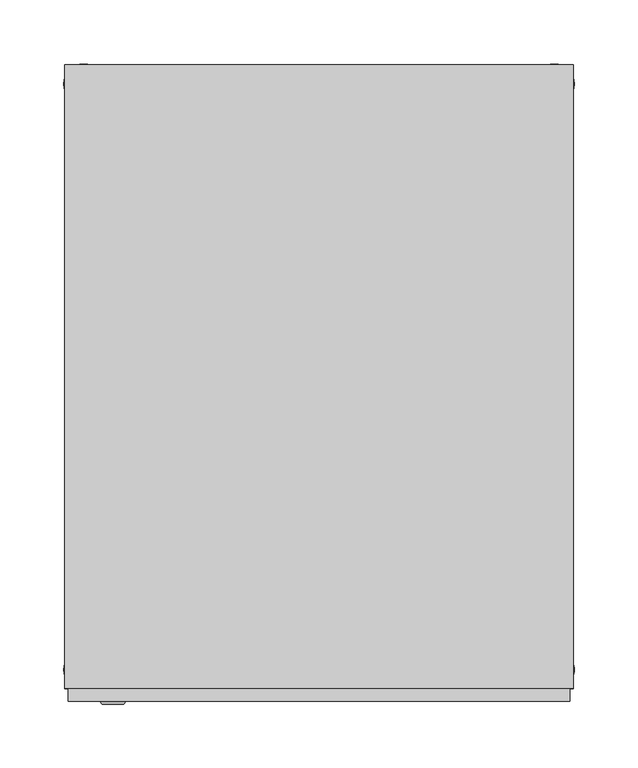
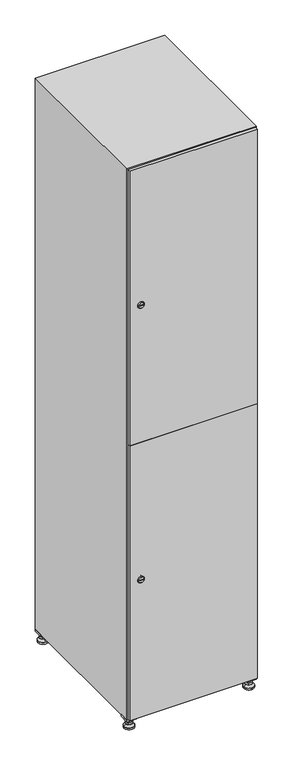
"""IFC4 building model written with IfcOpenShell, lengths in millimetres: furniture geometry."""

from ifc_helpers import new_model, si_unit, point, frame, frame_2d, origin, origin_with_axes, place, context, project, spatial, polyline, circle_curve, trimmed, segment, composite_curve, outline, extrude, faceted_brep, source, transform, mapped, element, save
from ifc_brep_helpers import plane_surface, revolved_surface, advanced_brep


def furniture_5dff099e(model_context):
    return source(origin(), model_context, "Body", "SolidModel", [
        extrude(outline(polyline([(200.0, 245.0), (200.0, 215.0), (170.0, 215.0), (170.0, 245.0), (200.0, 245.0)]), holes=[polyline([(198.0, 243.0), (172.0, 243.0), (172.0, 217.0), (198.0, 217.0), (198.0, 243.0)])]), frame((0.0, 0.0, 28.5), z_axis=(0.0, 0.0, 1.0), x_axis=(1.0, 0.0, 0.0)), (0.0, 0.0, 1.0), 6.5),
        extrude(outline(polyline([(170.0, -245.0), (170.0, -215.0), (200.0, -215.0), (200.0, -245.0), (170.0, -245.0)]), holes=[polyline([(172.0, -243.0), (198.0, -243.0), (198.0, -217.0), (172.0, -217.0), (172.0, -243.0)])]), frame((0.0, 0.0, 28.5), z_axis=(0.0, 0.0, 1.0), x_axis=(1.0, 0.0, 0.0)), (0.0, 0.0, 1.0), 6.5),
        extrude(outline(polyline([(-170.0, 245.0), (-170.0, 215.0), (-200.0, 215.0), (-200.0, 245.0), (-170.0, 245.0)]), holes=[polyline([(-172.0, 243.0), (-198.0, 243.0), (-198.0, 217.0), (-172.0, 217.0), (-172.0, 243.0)])]), frame((0.0, 0.0, 28.5), z_axis=(0.0, 0.0, 1.0), x_axis=(1.0, 0.0, 0.0)), (0.0, 0.0, 1.0), 6.5),
        extrude(outline(polyline([(-170.0, -215.0), (-170.0, -245.0), (-200.0, -245.0), (-200.0, -215.0), (-170.0, -215.0)]), holes=[polyline([(-198.0, -243.0), (-172.0, -243.0), (-172.0, -217.0), (-198.0, -217.0), (-198.0, -243.0)])]), frame((0.0, 0.0, 28.5), z_axis=(0.0, 0.0, 1.0), x_axis=(1.0, 0.0, 0.0)), (0.0, 0.0, 1.0), 6.5),
        extrude(outline(composite_curve([segment(trimmed(circle_curve(frame_2d((-185.0, 230.0)), 5.0), [point((-180.0, 230.0))], [point((-190.0, 230.0))], False, "CARTESIAN"), True, "CONTINUOUS"), segment(trimmed(circle_curve(frame_2d((-185.0, 230.0)), 5.0), [point((-190.0, 230.0))], [point((-180.0, 230.0))], False, "CARTESIAN"), True, "CONTINUOUS")], self_intersect=False)), frame((0.0, 0.0, 19.6), z_axis=(0.0, 0.0, 1.0), x_axis=(1.0, 0.0, 0.0)), (0.0, 0.0, 1.0), 15.4),
        extrude(outline(composite_curve([segment(trimmed(circle_curve(frame_2d((-185.0, -230.0)), 5.0), [point((-180.0, -230.0))], [point((-190.0, -230.0))], False, "CARTESIAN"), True, "CONTINUOUS"), segment(trimmed(circle_curve(frame_2d((-185.0, -230.0)), 5.0), [point((-190.0, -230.0))], [point((-180.0, -230.0))], False, "CARTESIAN"), True, "CONTINUOUS")], self_intersect=False)), frame((0.0, 0.0, 19.6), z_axis=(0.0, 0.0, 1.0), x_axis=(1.0, 0.0, 0.0)), (0.0, 0.0, 1.0), 15.4),
        extrude(outline(composite_curve([segment(trimmed(circle_curve(frame_2d((185.0, 230.0)), 5.0), [point((190.0, 230.0))], [point((180.0, 230.0))], False, "CARTESIAN"), True, "CONTINUOUS"), segment(trimmed(circle_curve(frame_2d((185.0, 230.0)), 5.0), [point((180.0, 230.0))], [point((190.0, 230.0))], False, "CARTESIAN"), True, "CONTINUOUS")], self_intersect=False)), frame((0.0, 0.0, 19.6), z_axis=(0.0, 0.0, 1.0), x_axis=(1.0, 0.0, 0.0)), (0.0, 0.0, 1.0), 15.4),
        extrude(outline(polyline([(173.4529946, 230.0), (179.2264973, 240.0), (190.7735027, 240.0), (196.5470054, 230.0), (190.7735027, 220.0), (179.2264973, 220.0), (173.4529946, 230.0)])), frame((0.0, 0.0, 13.6), z_axis=(0.0, 0.0, 1.0), x_axis=(1.0, 0.0, 0.0)), (0.0, 0.0, 1.0), 6.0),
        extrude(outline(composite_curve([segment(trimmed(circle_curve(frame_2d((185.0, -230.0)), 5.0), [point((190.0, -230.0))], [point((180.0, -230.0))], False, "CARTESIAN"), True, "CONTINUOUS"), segment(trimmed(circle_curve(frame_2d((185.0, -230.0)), 5.0), [point((180.0, -230.0))], [point((190.0, -230.0))], False, "CARTESIAN"), True, "CONTINUOUS")], self_intersect=False)), frame((0.0, 0.0, 19.6), z_axis=(0.0, 0.0, 1.0), x_axis=(1.0, 0.0, 0.0)), (0.0, 0.0, 1.0), 15.4),
        extrude(outline(polyline([(173.4529946, -230.0), (179.2264973, -220.0), (190.7735027, -220.0), (196.5470054, -230.0), (190.7735027, -240.0), (179.2264973, -240.0), (173.4529946, -230.0)])), frame((0.0, 0.0, 13.6), z_axis=(0.0, 0.0, 1.0), x_axis=(1.0, 0.0, 0.0)), (0.0, 0.0, 1.0), 6.0),
        extrude(outline(composite_curve([segment(trimmed(circle_curve(frame_2d((185.0, 230.0)), 5.0), [point((190.0, 230.0))], [point((180.0, 230.0))], False, "CARTESIAN"), True, "CONTINUOUS"), segment(trimmed(circle_curve(frame_2d((185.0, 230.0)), 5.0), [point((180.0, 230.0))], [point((190.0, 230.0))], False, "CARTESIAN"), True, "CONTINUOUS")], self_intersect=False)), frame((0.0, 0.0, 12.1), z_axis=(0.0, 0.0, 1.0), x_axis=(1.0, 0.0, 0.0)), (0.0, 0.0, 1.0), 1.5),
        extrude(outline(composite_curve([segment(trimmed(circle_curve(frame_2d((185.0, -230.0)), 5.0), [point((190.0, -230.0))], [point((180.0, -230.0))], False, "CARTESIAN"), True, "CONTINUOUS"), segment(trimmed(circle_curve(frame_2d((185.0, -230.0)), 5.0), [point((180.0, -230.0))], [point((190.0, -230.0))], False, "CARTESIAN"), True, "CONTINUOUS")], self_intersect=False)), frame((0.0, 0.0, 12.1), z_axis=(0.0, 0.0, 1.0), x_axis=(1.0, 0.0, 0.0)), (0.0, 0.0, 1.0), 1.5),
        extrude(outline(polyline([(-196.5470054, 230.0), (-190.7735027, 240.0), (-179.2264973, 240.0), (-173.4529946, 230.0), (-179.2264973, 220.0), (-190.7735027, 220.0), (-196.5470054, 230.0)])), frame((0.0, 0.0, 13.6), z_axis=(0.0, 0.0, 1.0), x_axis=(1.0, 0.0, 0.0)), (0.0, 0.0, 1.0), 6.0),
        extrude(outline(polyline([(-196.5470054, -230.0), (-190.7735027, -220.0), (-179.2264973, -220.0), (-173.4529946, -230.0), (-179.2264973, -240.0), (-190.7735027, -240.0), (-196.5470054, -230.0)])), frame((0.0, 0.0, 13.6), z_axis=(0.0, 0.0, 1.0), x_axis=(1.0, 0.0, 0.0)), (0.0, 0.0, 1.0), 6.0),
        extrude(outline(composite_curve([segment(trimmed(circle_curve(frame_2d((-185.0, 230.0)), 5.0), [point((-185.0, 235.0))], [point((-185.0, 225.0))], False, "CARTESIAN"), True, "CONTINUOUS"), segment(trimmed(circle_curve(frame_2d((-185.0, 230.0)), 5.0), [point((-185.0, 225.0))], [point((-185.0, 235.0))], False, "CARTESIAN"), True, "CONTINUOUS")], self_intersect=False)), frame((0.0, 0.0, 12.1), z_axis=(0.0, 0.0, 1.0), x_axis=(1.0, 0.0, 0.0)), (0.0, 0.0, 1.0), 1.5),
        extrude(outline(composite_curve([segment(trimmed(circle_curve(frame_2d((-185.0, -230.0)), 5.0), [point((-180.0, -230.0))], [point((-190.0, -230.0))], False, "CARTESIAN"), True, "CONTINUOUS"), segment(trimmed(circle_curve(frame_2d((-185.0, -230.0)), 5.0), [point((-190.0, -230.0))], [point((-180.0, -230.0))], False, "CARTESIAN"), True, "CONTINUOUS")], self_intersect=False)), frame((0.0, 0.0, 12.1), z_axis=(0.0, 0.0, 1.0), x_axis=(1.0, 0.0, 0.0)), (0.0, 0.0, 1.0), 1.5),
        extrude(outline(composite_curve([segment(trimmed(circle_curve(frame_2d((185.0, 230.0)), 15.75), [point((200.75, 230.0))], [point((169.25, 230.0))], False, "CARTESIAN"), True, "CONTINUOUS"), segment(trimmed(circle_curve(frame_2d((185.0, 230.0)), 15.75), [point((169.25, 230.0))], [point((200.75, 230.0))], False, "CARTESIAN"), True, "CONTINUOUS")], self_intersect=False)), origin_with_axes(), (0.0, 0.0, 1.0), 5.1),
        extrude(outline(composite_curve([segment(trimmed(circle_curve(frame_2d((185.0, -230.0)), 15.75), [point((185.0, -214.25))], [point((185.0, -245.75))], False, "CARTESIAN"), True, "CONTINUOUS"), segment(trimmed(circle_curve(frame_2d((185.0, -230.0)), 15.75), [point((185.0, -245.75))], [point((185.0, -214.25))], False, "CARTESIAN"), True, "CONTINUOUS")], self_intersect=False)), origin_with_axes(), (0.0, 0.0, 1.0), 5.1),
        extrude(outline(composite_curve([segment(trimmed(circle_curve(frame_2d((-185.0, -230.0)), 15.75), [point((-169.25, -230.0))], [point((-200.75, -230.0))], False, "CARTESIAN"), True, "CONTINUOUS"), segment(trimmed(circle_curve(frame_2d((-185.0, -230.0)), 15.75), [point((-200.75, -230.0))], [point((-169.25, -230.0))], False, "CARTESIAN"), True, "CONTINUOUS")], self_intersect=False)), origin_with_axes(), (0.0, 0.0, 1.0), 5.1),
        extrude(outline(composite_curve([segment(trimmed(circle_curve(frame_2d((-185.0, 230.0)), 15.75), [point((-169.25, 230.0))], [point((-200.75, 230.0))], False, "CARTESIAN"), True, "CONTINUOUS"), segment(trimmed(circle_curve(frame_2d((-185.0, 230.0)), 15.75), [point((-200.75, 230.0))], [point((-169.25, 230.0))], False, "CARTESIAN"), True, "CONTINUOUS")], self_intersect=False)), origin_with_axes(), (0.0, 0.0, 1.0), 5.1),
        advanced_brep(
        [(-185.0, 239.5, 12.1), (-185.0, 220.5, 12.1), (-185.0, 214.25, 5.1), (-185.0, 245.75, 5.1)],
        [
            (0, 1, circle_curve(frame((-185.0, 230.0, 12.1), z_axis=(0.0, 0.0, -1.0), x_axis=(0.0, 1.0, 0.0)), 9.5)),
            (1, 2),
            (2, 3, circle_curve(frame((-185.0, 230.0, 5.1), z_axis=(0.0, 0.0, 1.0), x_axis=(0.0, 1.0, 0.0)), 15.75)),
            (3, 0),
            (1, 0, circle_curve(frame((-185.0, 230.0, 12.1), z_axis=(0.0, 0.0, -1.0), x_axis=(0.0, -1.0, 0.0)), 9.5)),
            (3, 2, circle_curve(frame((-185.0, 230.0, 5.1), z_axis=(0.0, 0.0, 1.0), x_axis=(0.0, -1.0, 0.0)), 15.75)),
        ],
        [
            revolved_surface(polyline([(-185.0, 220.5, 12.099999999999998), (-185.0, 214.25, 5.099999999999998)]), (-185.0, 230.0, 22.74), (0.0, 0.0, -1.0)),
            revolved_surface(polyline([(-185.0, 239.5, 12.099999999999998), (-185.0, 245.75, 5.099999999999998)]), (-185.0, 230.0, 22.74), (0.0, 0.0, -1.0)),
            plane_surface(frame((-185.0, 230.0, 5.1), z_axis=(0.0, 0.0, -1.0), x_axis=(1.0, 0.0, 0.0))),
            plane_surface(frame((-185.0, 230.0, 12.1), z_axis=(0.0, 0.0, 1.0), x_axis=(1.0, 0.0, 0.0))),
        ],
        [
            (0, [[1, 2, 3, 4]]),
            (1, [[5, -4, 6, -2]]),
            (2, [[-3, -6]]),
            (3, [[-5, -1]]),
        ],
    ),
        advanced_brep(
        [(185.0, 239.5, 12.1), (185.0, 220.5, 12.1), (185.0, 214.25, 5.1), (185.0, 245.75, 5.1)],
        [
            (0, 1, circle_curve(frame((185.0, 230.0, 12.1), z_axis=(0.0, 0.0, -1.0), x_axis=(0.0, 1.0, 0.0)), 9.5)),
            (1, 2),
            (2, 3, circle_curve(frame((185.0, 230.0, 5.1), z_axis=(0.0, 0.0, 1.0), x_axis=(0.0, 1.0, 0.0)), 15.75)),
            (3, 0),
            (1, 0, circle_curve(frame((185.0, 230.0, 12.1), z_axis=(0.0, 0.0, -1.0), x_axis=(0.0, -1.0, 0.0)), 9.5)),
            (3, 2, circle_curve(frame((185.0, 230.0, 5.1), z_axis=(0.0, 0.0, 1.0), x_axis=(0.0, -1.0, 0.0)), 15.75)),
        ],
        [
            revolved_surface(polyline([(185.0, 220.5, 12.099999999999998), (185.0, 214.25, 5.099999999999998)]), (185.0, 230.0, 22.74), (0.0, 0.0, -1.0)),
            revolved_surface(polyline([(185.0, 239.5, 12.099999999999998), (185.0, 245.75, 5.099999999999998)]), (185.0, 230.0, 22.74), (0.0, 0.0, -1.0)),
            plane_surface(frame((185.0, 230.0, 5.1), z_axis=(0.0, 0.0, -1.0), x_axis=(1.0, 0.0, 0.0))),
            plane_surface(frame((185.0, 230.0, 12.1), z_axis=(0.0, 0.0, 1.0), x_axis=(1.0, 0.0, 0.0))),
        ],
        [
            (0, [[1, 2, 3, 4]]),
            (1, [[5, -4, 6, -2]]),
            (2, [[-3, -6]]),
            (3, [[-5, -1]]),
        ],
    ),
        advanced_brep(
        [(200.75, -230.0, 5.1), (169.25, -230.0, 5.1), (175.5, -230.0, 12.1), (194.5, -230.0, 12.1)],
        [
            (0, 1, circle_curve(frame((185.0, -230.0, 5.1), z_axis=(0.0, 0.0, 1.0), x_axis=(1.0, 0.0, 0.0)), 15.75)),
            (1, 2),
            (2, 3, circle_curve(frame((185.0, -230.0, 12.1), z_axis=(0.0, 0.0, -1.0), x_axis=(1.0, 0.0, 0.0)), 9.5)),
            (3, 0),
            (1, 0, circle_curve(frame((185.0, -230.0, 5.1), z_axis=(0.0, 0.0, 1.0), x_axis=(-1.0, 0.0, 0.0)), 15.75)),
            (3, 2, circle_curve(frame((185.0, -230.0, 12.1), z_axis=(0.0, 0.0, -1.0), x_axis=(-1.0, 0.0, 0.0)), 9.5)),
        ],
        [
            revolved_surface(polyline([(194.5, -230.0, 12.099999999999998), (200.75, -230.0, 5.099999999999998)]), (185.0, -230.0, 22.74), (0.0, 0.0, -1.0)),
            revolved_surface(polyline([(175.5, -230.0, 12.099999999999998), (169.25, -230.0, 5.099999999999998)]), (185.0, -230.0, 22.74), (0.0, 0.0, -1.0)),
            plane_surface(frame((185.0, -230.0, 12.1), z_axis=(0.0, 0.0, 1.0), x_axis=(0.0, 1.0, 0.0))),
            plane_surface(frame((185.0, -230.0, 5.1), z_axis=(0.0, 0.0, -1.0), x_axis=(0.0, 1.0, 0.0))),
        ],
        [
            (0, [[1, 2, 3, 4]]),
            (1, [[5, -4, 6, -2]]),
            (2, [[-3, -6]]),
            (3, [[-5, -1]]),
        ],
    ),
        advanced_brep(
        [(-169.25, -230.0, 5.1), (-200.75, -230.0, 5.1), (-194.5, -230.0, 12.1), (-175.5, -230.0, 12.1)],
        [
            (0, 1, circle_curve(frame((-185.0, -230.0, 5.1), z_axis=(0.0, 0.0, 1.0), x_axis=(1.0, 0.0, 0.0)), 15.75)),
            (1, 2),
            (2, 3, circle_curve(frame((-185.0, -230.0, 12.1), z_axis=(0.0, 0.0, -1.0), x_axis=(1.0, 0.0, 0.0)), 9.5)),
            (3, 0),
            (1, 0, circle_curve(frame((-185.0, -230.0, 5.1), z_axis=(0.0, 0.0, 1.0), x_axis=(-1.0, 0.0, 0.0)), 15.75)),
            (3, 2, circle_curve(frame((-185.0, -230.0, 12.1), z_axis=(0.0, 0.0, -1.0), x_axis=(-1.0, 0.0, 0.0)), 9.5)),
        ],
        [
            revolved_surface(polyline([(-175.5, -230.0, 12.099999999999998), (-169.25, -230.0, 5.099999999999998)]), (-185.0, -230.0, 22.74), (0.0, 0.0, -1.0)),
            revolved_surface(polyline([(-194.5, -230.0, 12.099999999999998), (-200.75, -230.0, 5.099999999999998)]), (-185.0, -230.0, 22.74), (0.0, 0.0, -1.0)),
            plane_surface(frame((-185.0, -230.0, 12.1), z_axis=(0.0, 0.0, 1.0), x_axis=(0.0, 1.0, 0.0))),
            plane_surface(frame((-185.0, -230.0, 5.1), z_axis=(0.0, 0.0, -1.0), x_axis=(0.0, 1.0, 0.0))),
        ],
        [
            (0, [[1, 2, 3, 4]]),
            (1, [[5, -4, 6, -2]]),
            (2, [[-3, -6]]),
            (3, [[-5, -1]]),
        ],
    ),
        extrude(outline(composite_curve([segment(trimmed(circle_curve(frame_2d((486.5, -188.7989466)), 7.0), [point((493.5, -188.7989466))], [point((479.5, -188.7989466))], False, "CARTESIAN"), True, "CONTINUOUS"), segment(polyline([(479.5, -188.7989466), (479.5, -160.7989466)]), True, "CONTINUOUS"), segment(trimmed(circle_curve(frame_2d((486.5, -160.7989466)), 7.0), [point((479.5, -160.7989466))], [point((493.5, -160.7989466))], False, "CARTESIAN"), True, "CONTINUOUS"), segment(polyline([(493.5, -160.7989466), (493.5, -188.7989466)]), True, "CONTINUOUS")], self_intersect=False)), frame((0.0, -245.0, 0.0), z_axis=(0.0, 1.0, 0.0), x_axis=(0.0, 0.0, 1.0)), (0.0, 0.0, 1.0), 2.0),
        advanced_brep(
        [(-153.5, -257.2, 486.5), (-170.5, -257.2, 486.5), (-167.0, -257.2, 485.25), (-167.0, -257.2, 487.75), (-157.0, -257.2, 487.75), (-157.0, -257.2, 485.25), (-151.5, -255.0, 486.5), (-172.5, -255.0, 486.5), (-167.0, -255.0, 487.75), (-167.0, -255.0, 485.25), (-157.0, -255.0, 485.25), (-157.0, -255.0, 487.75)],
        [
            (0, 1, circle_curve(frame((-162.0, -257.2, 486.5), z_axis=(0.0, -1.0, 0.0), x_axis=(1.0, 0.0, 0.0)), 8.5)),
            (1, 0, circle_curve(frame((-162.0, -257.2, 486.5), z_axis=(0.0, -1.0, 0.0), x_axis=(-1.0, 0.0, 0.0)), 8.5)),
            (2, 3),
            (3, 4),
            (4, 5),
            (5, 2),
            (6, 7, circle_curve(frame((-162.0, -255.0, 486.5), z_axis=(0.0, 1.0, 0.0), x_axis=(-1.0, 0.0, 0.0)), 10.5)),
            (7, 6, circle_curve(frame((-162.0, -255.0, 486.5), z_axis=(0.0, 1.0, 0.0), x_axis=(1.0, 0.0, 0.0)), 10.5)),
            (8, 9),
            (9, 10),
            (10, 11),
            (11, 8),
            (0, 6),
            (7, 1),
            (8, 3),
            (2, 9),
            (11, 4),
            (10, 5),
        ],
        [
            plane_surface(frame((-162.0, -257.2, 486.5), z_axis=(0.0, -1.0, 0.0), x_axis=(0.0, 0.0, 1.0))),
            plane_surface(frame((-162.0, -255.0, 486.5), z_axis=(0.0, 1.0, 0.0), x_axis=(0.0, 0.0, 1.0))),
            revolved_surface(polyline([(-153.5, -257.2, 486.5), (-151.5, -255.0, 486.5)]), (-162.0, -266.55, 486.5), (0.0, 1.0, 0.0)),
            revolved_surface(polyline([(-170.5, -257.2, 486.5), (-172.5, -255.0, 486.5)]), (-162.0, -266.55, 486.5), (0.0, 1.0, 0.0)),
            plane_surface(frame((-167.0, -255.0, 485.25), z_axis=(1.0, 0.0, 0.0), x_axis=(0.0, -1.0, 0.0))),
            plane_surface(frame((-167.0, -255.0, 487.75), z_axis=(0.0, 0.0, -1.0), x_axis=(0.0, -1.0, 0.0))),
            plane_surface(frame((-157.0, -255.0, 487.75), z_axis=(-1.0, 0.0, 0.0), x_axis=(0.0, -1.0, 0.0))),
            plane_surface(frame((-157.0, -255.0, 485.25), z_axis=(0.0, 0.0, 1.0), x_axis=(0.0, -1.0, 0.0))),
        ],
        [
            (0, [[1, 2], [3, 4, 5, 6]]),
            (1, [[7, 8], [9, 10, 11, 12]]),
            (2, [[-1, 13, -8, 14]]),
            (3, [[-2, -14, -7, -13]]),
            (4, [[15, -3, 16, -9]]),
            (5, [[-15, -12, 17, -4]]),
            (6, [[-17, -11, 18, -5]]),
            (7, [[-16, -6, -18, -10]]),
        ],
    ),
        extrude(outline(composite_curve([segment(trimmed(circle_curve(frame_2d((1383.5, -188.7989466)), 7.0), [point((1390.5, -188.7989466))], [point((1376.5, -188.7989466))], False, "CARTESIAN"), True, "CONTINUOUS"), segment(polyline([(1376.5, -188.7989466), (1376.5, -160.7989466)]), True, "CONTINUOUS"), segment(trimmed(circle_curve(frame_2d((1383.5, -160.7989466)), 7.0), [point((1376.5, -160.7989466))], [point((1390.5, -160.7989466))], False, "CARTESIAN"), True, "CONTINUOUS"), segment(polyline([(1390.5, -160.7989466), (1390.5, -188.7989466)]), True, "CONTINUOUS")], self_intersect=False)), frame((0.0, -245.0, 0.0), z_axis=(0.0, 1.0, 0.0), x_axis=(0.0, 0.0, 1.0)), (0.0, 0.0, 1.0), 2.0),
        advanced_brep(
        [(-153.5, -257.2, 1383.5), (-170.5, -257.2, 1383.5), (-167.0, -257.2, 1382.25), (-167.0, -257.2, 1384.75), (-157.0, -257.2, 1384.75), (-157.0, -257.2, 1382.25), (-151.5, -255.0, 1383.5), (-172.5, -255.0, 1383.5), (-167.0, -255.0, 1384.75), (-167.0, -255.0, 1382.25), (-157.0, -255.0, 1382.25), (-157.0, -255.0, 1384.75)],
        [
            (0, 1, circle_curve(frame((-162.0, -257.2, 1383.5), z_axis=(0.0, -1.0, 0.0), x_axis=(1.0, 0.0, 0.0)), 8.5)),
            (1, 0, circle_curve(frame((-162.0, -257.2, 1383.5), z_axis=(0.0, -1.0, 0.0), x_axis=(-1.0, 0.0, 0.0)), 8.5)),
            (2, 3),
            (3, 4),
            (4, 5),
            (5, 2),
            (6, 7, circle_curve(frame((-162.0, -255.0, 1383.5), z_axis=(0.0, 1.0, 0.0), x_axis=(-1.0, 0.0, 0.0)), 10.5)),
            (7, 6, circle_curve(frame((-162.0, -255.0, 1383.5), z_axis=(0.0, 1.0, 0.0), x_axis=(1.0, 0.0, 0.0)), 10.5)),
            (8, 9),
            (9, 10),
            (10, 11),
            (11, 8),
            (0, 6),
            (7, 1),
            (8, 3),
            (2, 9),
            (11, 4),
            (10, 5),
        ],
        [
            plane_surface(frame((-162.0, -257.2, 1383.5), z_axis=(0.0, -1.0, 0.0), x_axis=(0.0, 0.0, 1.0))),
            plane_surface(frame((-162.0, -255.0, 1383.5), z_axis=(0.0, 1.0, 0.0), x_axis=(0.0, 0.0, 1.0))),
            revolved_surface(polyline([(-153.5, -257.2, 1383.5), (-151.5, -255.0, 1383.5)]), (-162.0, -266.55, 1383.5), (0.0, 1.0, 0.0)),
            revolved_surface(polyline([(-170.5, -257.2, 1383.5), (-172.5, -255.0, 1383.5)]), (-162.0, -266.55, 1383.5), (0.0, 1.0, 0.0)),
            plane_surface(frame((-167.0, -255.0, 1382.25), z_axis=(1.0, 0.0, 0.0), x_axis=(0.0, -1.0, 0.0))),
            plane_surface(frame((-167.0, -255.0, 1384.75), z_axis=(0.0, 0.0, -1.0), x_axis=(0.0, -1.0, 0.0))),
            plane_surface(frame((-157.0, -255.0, 1384.75), z_axis=(-1.0, 0.0, 0.0), x_axis=(0.0, -1.0, 0.0))),
            plane_surface(frame((-157.0, -255.0, 1382.25), z_axis=(0.0, 0.0, 1.0), x_axis=(0.0, -1.0, 0.0))),
        ],
        [
            (0, [[1, 2], [3, 4, 5, 6]]),
            (1, [[7, 8], [9, 10, 11, 12]]),
            (2, [[-1, 13, -8, 14]]),
            (3, [[-2, -14, -7, -13]]),
            (4, [[15, -3, 16, -9]]),
            (5, [[-15, -12, 17, -4]]),
            (6, [[-17, -11, 18, -5]]),
            (7, [[-16, -6, -18, -10]]),
        ],
    ),
        extrude(outline(polyline([(-197.0, -255.0), (-197.0, -245.0), (197.0, -245.0), (197.0, -255.0), (-197.0, -255.0)])), frame((0.0, 0.0, 38.0), z_axis=(0.0, 0.0, 1.0), x_axis=(1.0, 0.0, 0.0)), (0.0, 0.0, 1.0), 896.5),
        extrude(outline(polyline([(197.0, -245.0), (197.0, -255.0), (-197.0, -255.0), (-197.0, -245.0), (197.0, -245.0)])), frame((0.0, 0.0, 935.5), z_axis=(0.0, 0.0, 1.0), x_axis=(1.0, 0.0, 0.0)), (0.0, 0.0, 1.0), 896.5),
        extrude(outline(polyline([(179.6, 242.0), (179.6, -235.0), (-179.6, -235.0), (-179.6, 242.0), (179.6, 242.0)])), frame((0.0, 0.0, 924.8), z_axis=(0.0, 0.0, 1.0), x_axis=(1.0, 0.0, 0.0)), (0.0, 0.0, 1.0), 20.4),
        faceted_brep([(200.0, -245.0, 35.0), (200.0, -245.0, 1835.0), (-200.0, -245.0, 1835.0), (-200.0, -245.0, 35.0), (179.6, -245.0, 1804.8), (179.6, -245.0, 65.2), (-179.6, -245.0, 65.2), (-179.6, -245.0, 1804.8), (200.0, 245.0, 35.0), (-200.0, 245.0, 35.0), (200.0, 245.0, 1835.0), (-200.0, 245.0, 1835.0), (179.6, 242.0, 1804.8), (179.6, 242.0, 65.2), (-200.0, 245.0, 1804.8), (-179.6, 242.0, 1804.8), (-179.6, 242.0, 65.2)], [[[0, 1, 2, 3], [4, 5, 6, 7]], [[8, 0, 3, 9]], [[1, 0, 8, 10]], [[1, 10, 11, 2]], [[4, 12, 13, 5]], [[9, 3, 2, 11, 14]], [[10, 8, 9, 14, 11]], [[12, 15, 16, 13]], [[15, 7, 6, 16]], [[4, 7, 15, 12]], [[6, 5, 13, 16]]]),
    ])


if __name__ == "__main__":
    model = new_model("IFC4")
    model_context = context("Model", 3, world=origin())
    ifc_project = project(units=[si_unit("LENGTHUNIT", "METRE", prefix="MILLI")], contexts=[model_context])
    site = spatial("IfcSite", under=ifc_project)
    building = spatial("IfcBuilding", under=site)
    placement = place(None, origin())
    furniture_shape = furniture_5dff099e(model_context)
    element("IfcFurniture", 1, at=placement, inside=building, context=model_context, shape_type="MappedRepresentation", body=[
        mapped(furniture_shape, transform((0.0, 0.0, 0.0), x_axis=(1.0, 0.0, 0.0), y_axis=(0.0, 1.0, 0.0), z_axis=(0.0, 0.0, 1.0))),
    ])
    save(model, "model.ifc")
